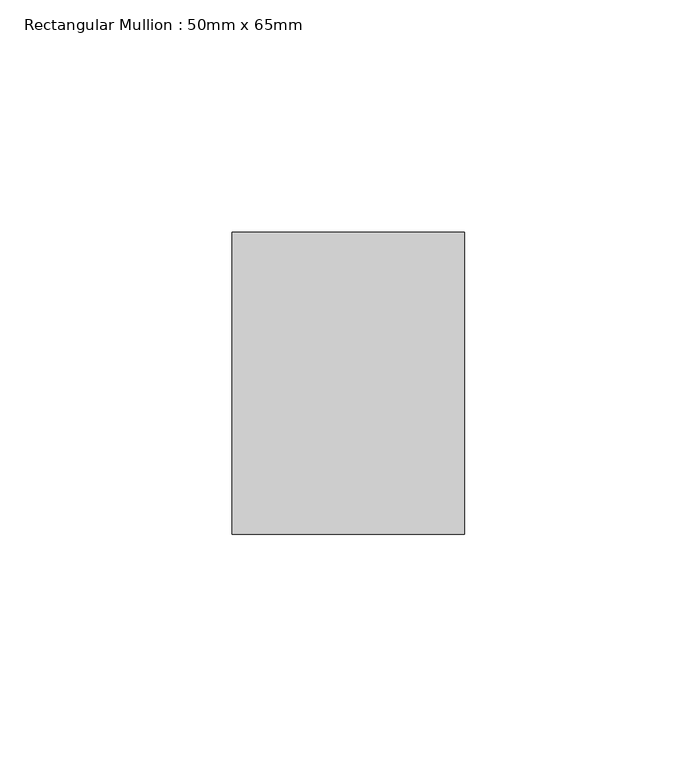
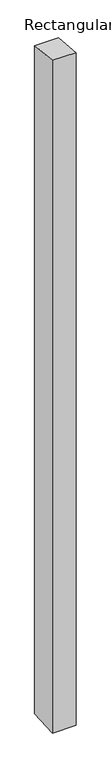
"""IFC4 building model written with IfcOpenShell, lengths in millimetres: member geometry, Rectangular Mullion : 50mm x 65mm."""

from ifc_helpers import new_model, si_unit, origin, place, context, project, spatial, faceted_brep, source, transform, mapped, element, save


def rectangular_mullion_50mm_x_65mm_47426de5(model_context):
    return source(origin(), model_context, "Body", "Brep", [
        faceted_brep([(-25.0, 32.5, -3.1469358), (25.0, 32.5, -3.1469361), (25.0, 32.5, -1497.833444), (-25.0, 32.5, -1497.8334442), (-25.0, -32.5, 3.1469361), (-25.0, -32.5, -1502.1653992), (25.0, -32.5, 3.1469358), (25.0, -32.5, -1502.1653989)], [[[0, 1, 2, 3]], [[4, 0, 3, 5]], [[6, 4, 5, 7]], [[1, 6, 7, 2]], [[1, 0, 4, 6]], [[2, 7, 5, 3]]]),
    ])


if __name__ == "__main__":
    model = new_model("IFC4")
    model_context = context("Model", 3, world=origin())
    ifc_project = project(units=[si_unit("LENGTHUNIT", "METRE", prefix="MILLI")], contexts=[model_context])
    site = spatial("IfcSite", under=ifc_project)
    building = spatial("IfcBuilding", under=site)
    placement = place(None, origin())
    rectangular_mullion_50mm_x_65mm_shape = rectangular_mullion_50mm_x_65mm_47426de5(model_context)
    element("IfcMember", 1, ObjectType="Rectangular Mullion : 50mm x 65mm", at=placement, inside=building, context=model_context, shape_type="MappedRepresentation", body=[
        mapped(rectangular_mullion_50mm_x_65mm_shape, transform((0.0, 0.0, 0.0), x_axis=(1.0, 0.0, 0.0), y_axis=(0.0, 1.0, 0.0), z_axis=(0.0, 0.0, 1.0))),
    ])
    save(model, "model.ifc")
